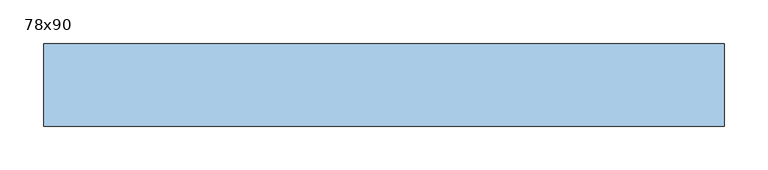
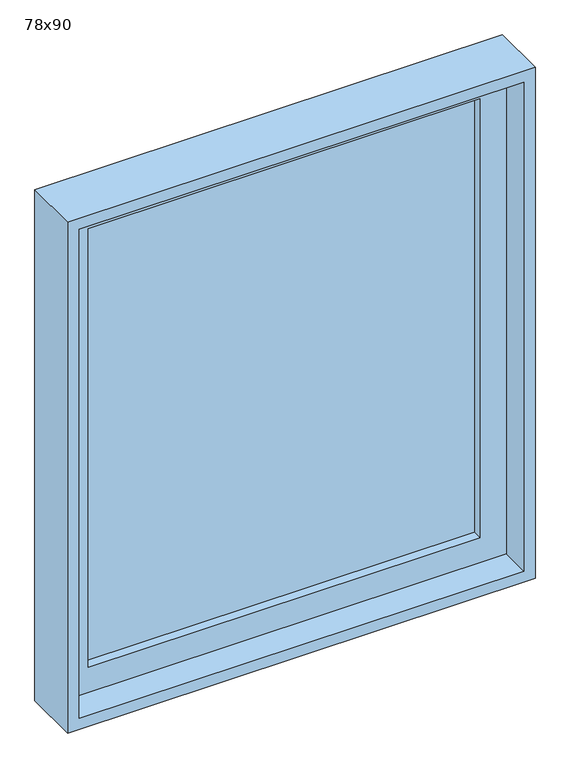
"""IFC4 building model written with IfcOpenShell, lengths in millimetres: window geometry, 78x90."""

from ifc_helpers import new_model, si_unit, frame, origin, place, context, project, spatial, polyline, outline, extrude, source, transform, mapped, element, save


def window_78x90_9aee3d8c(model_context):
    return source(origin(), model_context, "Body", "SweptSolid", [
        extrude(outline(polyline([(288.4, -101.425), (288.4, -114.125), (-364.6, -114.125), (-364.6, -101.425), (288.4, -101.425)])), frame((0.0, 0.0, 977.9), z_axis=(0.0, 0.0, 1.0), x_axis=(1.0, 0.0, 0.0)), (0.0, 0.0, 1.0), 773.0),
        extrude(outline(polyline([(1795.35, -409.05), (933.45, -409.05), (933.45, 332.85), (1795.35, 332.85), (1795.35, -409.05)]), holes=[polyline([(1750.9, -364.6), (1750.9, 288.4), (977.9, 288.4), (977.9, -364.6), (1750.9, -364.6)])]), frame((0.0, -130.0, 0.0), z_axis=(0.0, 1.0, 0.0), x_axis=(0.0, 0.0, 1.0)), (0.0, 0.0, 1.0), 44.45),
        extrude(outline(polyline([(1814.4, 351.9), (1814.4, -428.1), (914.4, -428.1), (914.4, 351.9), (1814.4, 351.9)]), holes=[polyline([(1795.35, 332.85), (933.45, 332.85), (933.45, -409.05), (1795.35, -409.05), (1795.35, 332.85)])]), frame((0.0, -180.0, 0.0), z_axis=(0.0, 1.0, 0.0), x_axis=(0.0, 0.0, 1.0)), (0.0, 0.0, 1.0), 94.45),
    ])


if __name__ == "__main__":
    model = new_model("IFC4")
    model_context = context("Model", 3, world=origin())
    ifc_project = project(units=[si_unit("LENGTHUNIT", "METRE", prefix="MILLI")], contexts=[model_context])
    site = spatial("IfcSite", under=ifc_project)
    building = spatial("IfcBuilding", under=site)
    placement = place(None, origin())
    window_78x90_shape = window_78x90_9aee3d8c(model_context)
    element("IfcWindow", 1, ObjectType="78x90", at=placement, inside=building, context=model_context, shape_type="MappedRepresentation", body=[
        mapped(window_78x90_shape, transform((0.0, 0.0, 0.0), x_axis=(1.0, 0.0, 0.0), y_axis=(0.0, 1.0, 0.0), z_axis=(0.0, 0.0, 1.0))),
    ])
    save(model, "model.ifc")
